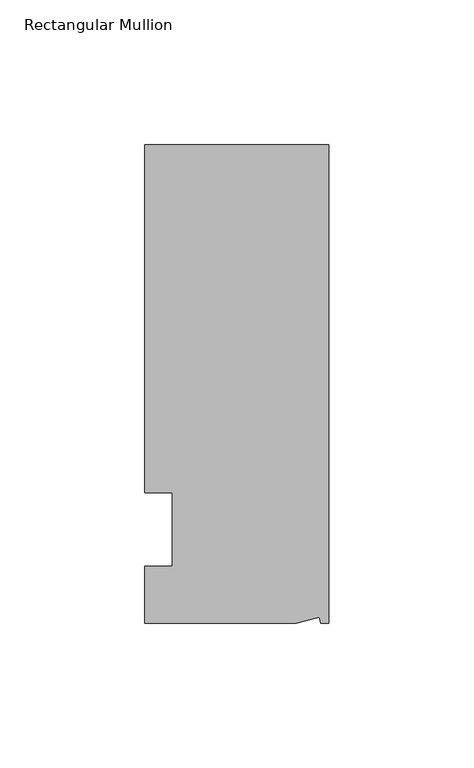
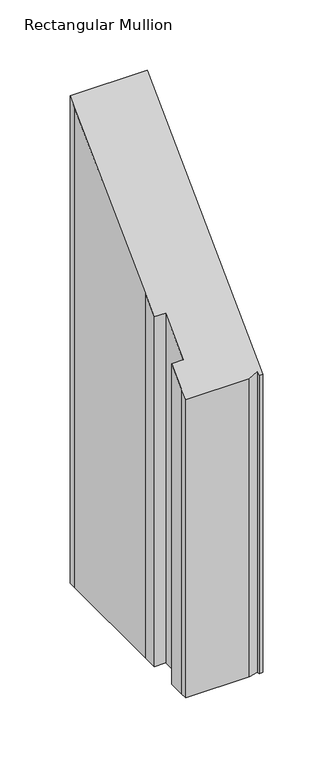
"""IFC4 building model written with IfcOpenShell, lengths in millimetres: member geometry, Rectangular Mullion."""

from ifc_helpers import new_model, si_unit, origin, place, context, project, spatial, faceted_brep, source, transform, mapped, element, save


def rectangular_mullion_e86a8f50(model_context):
    return source(origin(), model_context, "Body", "Brep", [
        faceted_brep([(-3.3457217, -17.5748952, -17.5748952), (-11.1265412, -19.6597595, -19.6597595), (-11.1265412, -19.6597595, -279.4), (-3.3457217, -17.5748952, -279.4), (-2.787084, -19.6597595, -19.6597595), (-2.787084, -19.6597595, -279.4), (0.0, -19.6597595, -19.6597595), (0.0, -19.6597595, -279.4), (0.0, 145.4402405, 145.4402405), (0.0, 145.4402405, -279.4), (-63.5, 145.4402405, 145.4402405), (-63.5, 145.4402405, -279.4), (-63.5, 139.0912527, 139.0912527), (-63.5, 139.0912527, -279.4), (-63.5, 38.3358837, 38.3358837), (-63.5, 38.3358837, -279.4), (-53.975, 25.4, 25.4), (-63.5, 25.4, 25.4), (-63.5, 25.4, -279.4), (-53.975, 25.4, -279.4), (-53.975, 0.0, 0.0), (-53.975, 0.0, -279.4), (-63.5, 0.0, 0.0), (-63.5, 0.0, -279.4), (-63.5, -13.6146679, -13.6146679), (-63.5, -13.6146679, -279.4), (-63.5, -19.6597595, -19.6597595), (-63.5, -19.6597595, -279.4)], [[[0, 1, 2, 3]], [[4, 0, 3, 5]], [[6, 4, 5, 7]], [[8, 6, 7, 9]], [[10, 8, 9, 11]], [[12, 10, 11, 13]], [[14, 12, 13, 15]], [[16, 17, 18, 19]], [[20, 16, 19, 21]], [[22, 20, 21, 23]], [[24, 22, 23, 25]], [[1, 26, 27, 2]], [[1, 0, 4, 6, 8, 10, 12, 14, 17, 16, 20, 22, 24, 26]], [[2, 27, 25, 23, 21, 19, 18, 15, 13, 11, 9, 7, 5, 3]], [[17, 14, 15, 18]], [[26, 24, 25, 27]]]),
    ])


if __name__ == "__main__":
    model = new_model("IFC4")
    model_context = context("Model", 3, world=origin())
    ifc_project = project(units=[si_unit("LENGTHUNIT", "METRE", prefix="MILLI")], contexts=[model_context])
    site = spatial("IfcSite", under=ifc_project)
    building = spatial("IfcBuilding", under=site)
    placement = place(None, origin())
    rectangular_mullion_shape = rectangular_mullion_e86a8f50(model_context)
    element("IfcMember", 1, ObjectType="Rectangular Mullion", at=placement, inside=building, context=model_context, shape_type="MappedRepresentation", body=[
        mapped(rectangular_mullion_shape, transform((0.0, 0.0, 0.0), x_axis=(1.0, 0.0, 0.0), y_axis=(0.0, 1.0, 0.0), z_axis=(0.0, 0.0, 1.0))),
    ])
    save(model, "model.ifc")
